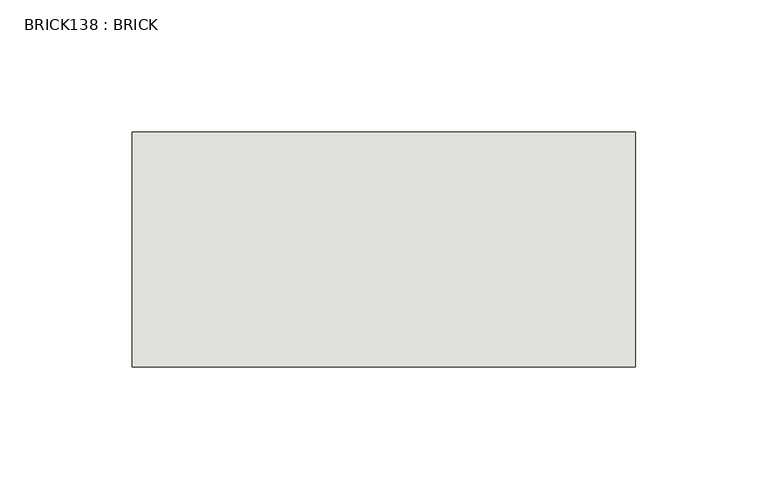
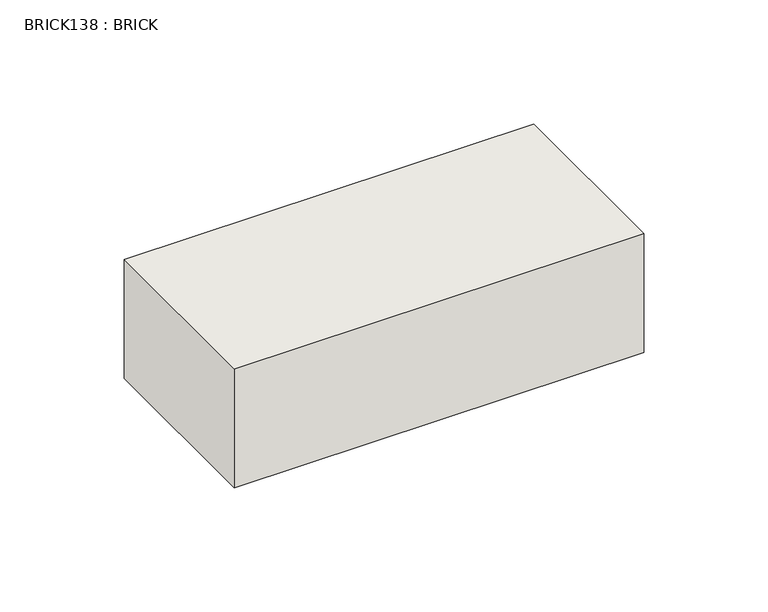
"""IFC4 building model written with IfcOpenShell, lengths in millimetres: wall geometry, BRICK138 : BRICK."""

from ifc_helpers import new_model, si_unit, frame, origin, place, context, project, spatial, polyline, outline, extrude, source, transform, mapped, element, save


def brick138_brick_e729cd57(model_context):
    return source(origin(), model_context, "Body", "SweptSolid", [
        extrude(outline(polyline([(22.0530711, 2586.2274125), (212.5530711, 2586.2274125), (212.5530711, 2497.3274125), (22.0530711, 2497.3274125), (22.0530711, 2586.2274125)])), frame((0.0, 0.0, 74.3148438), z_axis=(0.0, 0.0, 1.0), x_axis=(1.0, 0.0, 0.0)), (0.0, 0.0, 1.0), 58.4398438),
    ])


if __name__ == "__main__":
    model = new_model("IFC4")
    model_context = context("Model", 3, world=origin())
    ifc_project = project(units=[si_unit("LENGTHUNIT", "METRE", prefix="MILLI")], contexts=[model_context])
    site = spatial("IfcSite", under=ifc_project)
    building = spatial("IfcBuilding", under=site)
    placement = place(None, origin())
    brick138_brick_shape = brick138_brick_e729cd57(model_context)
    element("IfcWall", 1, ObjectType="BRICK138 : BRICK", at=placement, inside=building, context=model_context, shape_type="MappedRepresentation", body=[
        mapped(brick138_brick_shape, transform((0.0, 0.0, 0.0), x_axis=(1.0, 0.0, 0.0), y_axis=(0.0, 1.0, 0.0), z_axis=(0.0, 0.0, 1.0))),
    ])
    save(model, "model.ifc")
